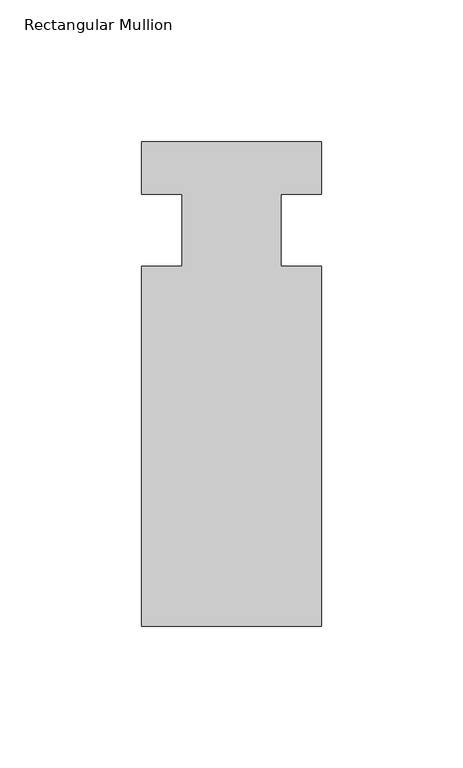
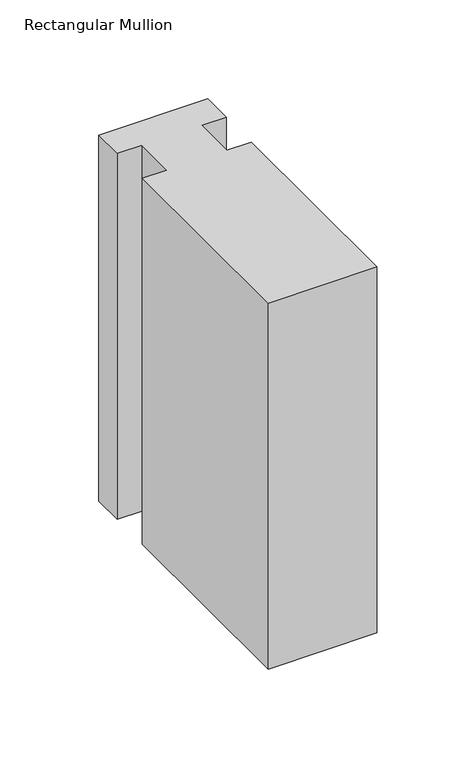
"""IFC4 building model written with IfcOpenShell, lengths in millimetres: member geometry, Rectangular Mullion."""

from ifc_helpers import new_model, si_unit, frame, origin, place, context, project, spatial, polyline, outline, extrude, source, transform, mapped, element, save


def rectangular_mullion_3bc5425e(model_context):
    return source(origin(), model_context, "Body", "SweptSolid", [
        extrude(outline(polyline([(-63.5, -139.6563438), (-63.5, -12.6563184), (-49.2125, -12.6563438), (-49.2125, 12.7436562), (-63.5, 12.7436562), (-63.5, 31.2539062), (0.0, 31.2539062), (0.0, 12.7436562), (-14.2875, 12.7436562), (-14.2875, -12.6563438), (0.0, -12.6563438), (0.0, -139.6563438), (-63.5, -139.6563438)])), frame((0.0, 0.0, -225.7572113), z_axis=(0.0, 0.0, 1.0), x_axis=(1.0, 0.0, 0.0)), (0.0, 0.0, 1.0), 225.7572113),
    ])


if __name__ == "__main__":
    model = new_model("IFC4")
    model_context = context("Model", 3, world=origin())
    ifc_project = project(units=[si_unit("LENGTHUNIT", "METRE", prefix="MILLI")], contexts=[model_context])
    site = spatial("IfcSite", under=ifc_project)
    building = spatial("IfcBuilding", under=site)
    placement = place(None, origin())
    rectangular_mullion_shape = rectangular_mullion_3bc5425e(model_context)
    element("IfcMember", 1, ObjectType="Rectangular Mullion", at=placement, inside=building, context=model_context, shape_type="MappedRepresentation", body=[
        mapped(rectangular_mullion_shape, transform((0.0, 0.0, 0.0), x_axis=(1.0, 0.0, 0.0), y_axis=(0.0, 1.0, 0.0), z_axis=(0.0, 0.0, 1.0))),
    ])
    save(model, "model.ifc")
